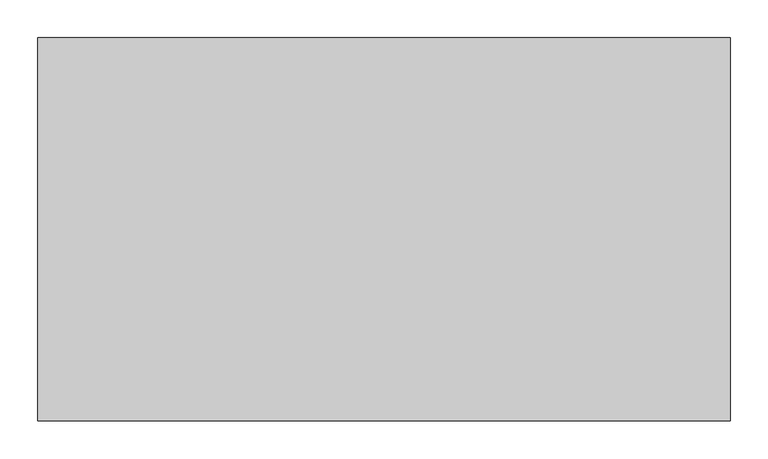
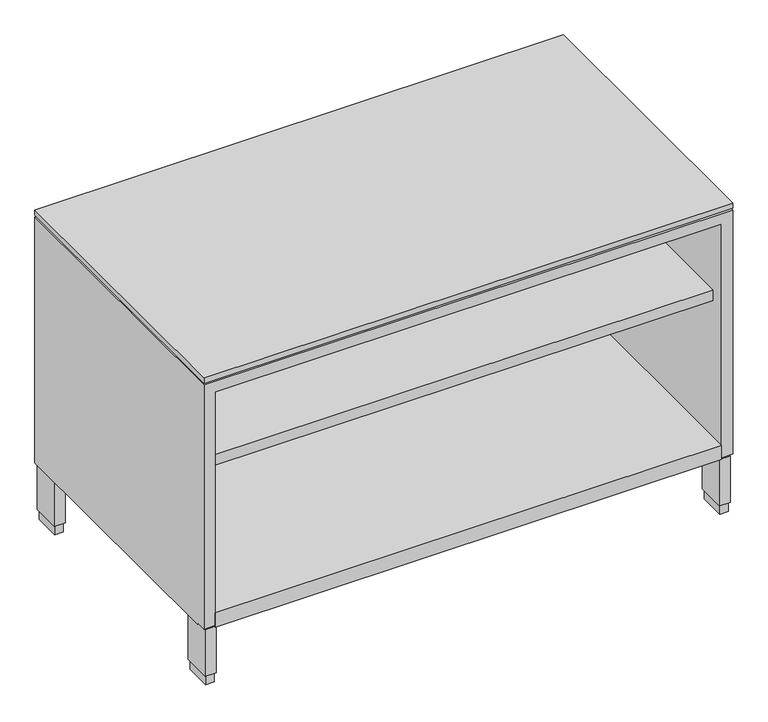
"""IFC4 building model written with IfcOpenShell, lengths in millimetres: furniture geometry."""

import ifcopenshell
import ifcopenshell.guid

model = None  # the IFC model being written
_history = None  # IfcOwnerHistory: only IFC2X3 demands one
_inside = {}  # id of a spatial element -> (the spatial element, [elements in it])
_under = {}  # id of a project, library or spatial element -> (it, [spatial elements below it])
_declared = {}  # id of a project -> (the project, [libraries it declares])
_typed = {}  # id of a type object -> (the type object, [elements of that type])
_made_of = {}  # id of a material, layer set ... -> (it, [elements and type objects made of it])


def new_model(schema):
    """Start an empty IFC model of exactly this schema.

    Asked for "IFC4X3", IfcOpenShell would pick the latest addendum, in which some entities
    have other attributes; the version numbers below select the first issue.
    IFC2X3 requires an IfcOwnerHistory on every rooted entity: one is made here for all.
    """
    global model, _history
    if schema == "IFC4X3":
        model = ifcopenshell.file(schema_version=(4, 3, 0, 0))
    else:
        model = ifcopenshell.file(schema=schema)
    _inside.clear()
    _under.clear()
    _declared.clear()
    _typed.clear()
    _made_of.clear()
    _history = None
    if model.schema == "IFC2X3":
        org = make("IfcOrganization", Name="unknown")
        user = make(
            "IfcPersonAndOrganization",
            ThePerson=make("IfcPerson", FamilyName="unknown"),
            TheOrganization=org,
        )
        app = make(
            "IfcApplication",
            ApplicationDeveloper=org,
            Version="unknown",
            ApplicationFullName="unknown",
            ApplicationIdentifier="unknown",
        )
        _history = make(
            "IfcOwnerHistory",
            OwningUser=user,
            OwningApplication=app,
            ChangeAction="ADDED",
            CreationDate=0,
        )
    return model


def make(cls, **values):
    """One entity of the class cls with the attributes given. An attribute that is None is left unset."""
    return model.create_entity(
        cls, **{name: value for name, value in values.items() if value is not None}
    )


def rooted(cls, **values):
    """An entity with a GlobalId (a new one), such as an element, a storey or a relation."""
    return make(cls, GlobalId=ifcopenshell.guid.new(), OwnerHistory=_history, **values)


def si_unit(unit_type, name, prefix=None):
    """IfcSIUnit, for example si_unit("LENGTHUNIT", "METRE", prefix="MILLI")."""
    return make("IfcSIUnit", UnitType=unit_type, Prefix=prefix, Name=name)


def assignment(units):
    """IfcUnitAssignment: the units of a project."""
    return None if units is None else make("IfcUnitAssignment", Units=units)


def point(xyz):
    """IfcCartesianPoint."""
    return None if xyz is None else make("IfcCartesianPoint", Coordinates=xyz)


def direction(xyz):
    """IfcDirection."""
    return None if xyz is None else make("IfcDirection", DirectionRatios=xyz)


def frame(location, z_axis=None, x_axis=None):
    """IfcAxis2Placement3D, a coordinate frame: its origin and axes. An axis left out is left unset."""
    return make(
        "IfcAxis2Placement3D",
        Location=point(location),
        Axis=direction(z_axis),
        RefDirection=direction(x_axis),
    )


def origin():
    """The frame at (0, 0, 0) with its axes left unset."""
    return frame((0.0, 0.0, 0.0))


def origin_with_axes():
    """The frame at (0, 0, 0) with the z axis (0, 0, 1) and the x axis (1, 0, 0) written out."""
    return frame((0.0, 0.0, 0.0), z_axis=(0.0, 0.0, 1.0), x_axis=(1.0, 0.0, 0.0))


def place(relative_to, where):
    """IfcLocalPlacement: puts the frame where relative to a parent placement (None: the world)."""
    return make(
        "IfcLocalPlacement", PlacementRelTo=relative_to, RelativePlacement=where
    )


def context(
    kind, dimensions, precision=None, world=None, true_north=None, identifier=None
):
    """IfcGeometricRepresentationContext, for example the 3D "Model" context."""
    return make(
        "IfcGeometricRepresentationContext",
        ContextIdentifier=identifier,
        ContextType=kind,
        CoordinateSpaceDimension=dimensions,
        Precision=precision,
        WorldCoordinateSystem=world,
        TrueNorth=true_north,
    )


def project(units=None, contexts=None):
    """IfcProject with its units and contexts."""
    return rooted(
        "IfcProject",
        Name="project",
        RepresentationContexts=contexts,
        UnitsInContext=assignment(units),
    )


def spatial(cls, under=None, at=None, **own):
    """A site, building, storey or space (cls), placed at a placement, below another one or the project."""
    s = rooted(cls, ObjectPlacement=at, **own)
    if under is not None:
        _under.setdefault(under.id(), (under, []))[1].append(s)
    return s


def polyline(points):
    """IfcPolyline through the points."""
    return make("IfcPolyline", Points=[point(p) for p in points])


def outline(outer, holes=None, kind="AREA"):
    """IfcArbitraryClosedProfileDef: a profile drawn as a closed curve; with holes, ...WithVoids."""
    if holes is None:
        return make("IfcArbitraryClosedProfileDef", ProfileType=kind, OuterCurve=outer)
    return make(
        "IfcArbitraryProfileDefWithVoids",
        ProfileType=kind,
        OuterCurve=outer,
        InnerCurves=holes,
    )


def extrude(swept, where, along, depth):
    """IfcExtrudedAreaSolid: the profile swept, set in the frame where, extruded along a direction by depth."""
    return make(
        "IfcExtrudedAreaSolid",
        SweptArea=swept,
        Position=where,
        ExtrudedDirection=direction(along),
        Depth=depth,
    )


def faces_of(points, faces, orient=None, outer=None):
    """IfcFace entities. A face is a list of loops; a loop is a list of indices into points, from 0.

    orient and outer hold one flag for each loop. By default every Orientation is true, the
    first loop of a face is its IfcFaceOuterBound and the others are IfcFaceBound.
    """
    made = []
    for i, loops in enumerate(faces):
        bounds = []
        for j, loop in enumerate(loops):
            is_outer = j == 0 if outer is None else outer[i][j]
            bounds.append(
                make(
                    "IfcFaceOuterBound" if is_outer else "IfcFaceBound",
                    Bound=make("IfcPolyLoop", Polygon=[points[k] for k in loop]),
                    Orientation=True if orient is None else orient[i][j],
                )
            )
        made.append(make("IfcFace", Bounds=bounds))
    return made


def faceted_brep(points, faces, orient=None, outer=None, voids=None):
    """IfcFacetedBrep: a solid bounded by flat faces; with voids (closed shells), ...WithVoids."""
    shared = [point(p) for p in points]
    hull = make("IfcClosedShell", CfsFaces=faces_of(shared, faces, orient, outer))
    if voids is None:
        return make("IfcFacetedBrep", Outer=hull)
    return make(
        "IfcFacetedBrepWithVoids",
        Outer=hull,
        Voids=[
            make(cls, CfsFaces=faces_of(shared, fs, o, b)) for cls, fs, o, b in voids
        ],
    )


def shape(context_of_items, identifier, shape_type, items):
    """IfcShapeRepresentation: the items that make up one representation, for example the "Body"."""
    return make(
        "IfcShapeRepresentation",
        ContextOfItems=context_of_items,
        RepresentationIdentifier=identifier,
        RepresentationType=shape_type,
        Items=items,
    )


def source(mapping_origin, context_of_items, identifier, shape_type, items):
    """IfcRepresentationMap: a shape defined once, which mapped items show again and again."""
    return make(
        "IfcRepresentationMap",
        MappingOrigin=mapping_origin,
        MappedRepresentation=shape(context_of_items, identifier, shape_type, items),
    )


def transform(
    local_origin,
    x_axis=None,
    y_axis=None,
    z_axis=None,
    scale=None,
    scale2=None,
    scale3=None,
    uniform=True,
):
    """IfcCartesianTransformationOperator3D, or its non-uniform kind. x_axis, y_axis, z_axis: its Axis1, 2, 3."""
    if uniform:
        return make(
            "IfcCartesianTransformationOperator3D",
            Axis1=direction(x_axis),
            Axis2=direction(y_axis),
            LocalOrigin=point(local_origin),
            Scale=scale,
            Axis3=direction(z_axis),
        )
    return make(
        "IfcCartesianTransformationOperator3DnonUniform",
        Axis1=direction(x_axis),
        Axis2=direction(y_axis),
        LocalOrigin=point(local_origin),
        Scale=scale,
        Axis3=direction(z_axis),
        Scale2=scale2,
        Scale3=scale3,
    )


def mapped(mapping_source, mapping_target):
    """IfcMappedItem: shows the shape of a source again, moved by a transform."""
    return make(
        "IfcMappedItem", MappingSource=mapping_source, MappingTarget=mapping_target
    )


def made_of(thing, what):
    """Note that an element or type object is made of a material, layer set ...; save() writes the relation."""
    if what is not None:
        _made_of.setdefault(what.id(), (what, []))[1].append(thing)
    return thing


def element(
    cls,
    number,
    at=None,
    inside=None,
    cuts=None,
    type_object=None,
    material=None,
    context=None,
    identifier="Body",
    shape_type=None,
    held_by="IfcProductDefinitionShape",
    body=None,
    shapes=None,
    **own,
):
    """One element of the class cls, such as IfcWall. Its Tag is "e" and its number.

    at: its placement. inside: the storey or other place that contains it. cuts: it is an
    opening in that element (IfcRelVoidsElement). A single representation is given by context,
    identifier, shape_type and body (its items); several are given by shapes. held_by: the class
    of the entity that holds the representations. save() writes the other relations.
    """
    e = rooted(cls, Tag="e%d" % number, ObjectPlacement=at, **own)
    if body is not None:
        shapes = [shape(context, identifier, shape_type, body)]
    if shapes is not None:
        e.Representation = make(held_by, Representations=shapes)
    if inside is not None:
        _inside.setdefault(inside.id(), (inside, []))[1].append(e)
    if cuts is not None:
        rooted(
            "IfcRelVoidsElement", RelatingBuildingElement=cuts, RelatedOpeningElement=e
        )
    if type_object is not None:
        _typed.setdefault(type_object.id(), (type_object, []))[1].append(e)
    return made_of(e, material)


def aggregate(whole, parts):
    """IfcRelAggregates: a whole, such as a stair, and the parts it consists of."""
    return rooted("IfcRelAggregates", RelatingObject=whole, RelatedObjects=parts)


def save(model, path):
    """Write the relations noted so far, then the file.

    IfcRelAggregates (storeys below a building ...), IfcRelContainedInSpatialStructure (elements
    in a storey), IfcRelDefinesByType, IfcRelAssociatesMaterial and IfcRelDeclares: one each for
    every whole, place, type object, material and project.
    """
    for whole, parts in _under.values():
        aggregate(whole, parts)
    for where, things in _inside.values():
        rooted(
            "IfcRelContainedInSpatialStructure",
            RelatedElements=things,
            RelatingStructure=where,
        )
    for kind, things in _typed.values():
        rooted("IfcRelDefinesByType", RelatedObjects=things, RelatingType=kind)
    for what, things in _made_of.values():
        rooted("IfcRelAssociatesMaterial", RelatedObjects=things, RelatingMaterial=what)
    for by, libraries in _declared.values():
        rooted("IfcRelDeclares", RelatingContext=by, RelatedDefinitions=libraries)
    model.write(path)


def furniture_c05d2227(model_context):
    return source(origin(), model_context, "Body", "SolidModel", [
        extrude(outline(polyline([(893.5085, -20.828), (893.5085, -506.349), (20.8915, -506.349), (20.8915, -20.828), (893.5085, -20.828)])), frame((0.0, 0.0, 102.108), z_axis=(0.0, 0.0, 1.0), x_axis=(1.0, 0.0, 0.0)), (0.0, 0.0, 1.0), 25.9199713),
        extrude(outline(polyline([(21.2979, -5.715), (21.2979, -52.197), (6.5659, -52.197), (6.5659, -5.715), (21.2979, -5.715)])), origin_with_axes(), (0.0, 0.0, 1.0), 17.399),
        extrude(outline(polyline([(907.8341, -5.715), (907.8341, -52.197), (893.1021, -52.197), (893.1021, -5.715), (907.8341, -5.715)])), origin_with_axes(), (0.0, 0.0, 1.0), 17.399),
        extrude(outline(polyline([(907.8341, -456.057), (907.8341, -502.539), (893.1021, -502.539), (893.1021, -456.057), (907.8341, -456.057)])), origin_with_axes(), (0.0, 0.0, 1.0), 17.399),
        extrude(outline(polyline([(21.2979, -456.057), (21.2979, -502.539), (6.5659, -502.539), (6.5659, -456.057), (21.2979, -456.057)])), origin_with_axes(), (0.0, 0.0, 1.0), 17.399),
        extrude(outline(polyline([(23.4569, -3.556), (23.4569, -54.356), (4.4069, -54.356), (4.4069, -3.556), (23.4569, -3.556)])), frame((0.0, 0.0, 17.399), z_axis=(0.0, 0.0, 1.0), x_axis=(1.0, 0.0, 0.0)), (0.0, 0.0, 1.0), 84.709),
        extrude(outline(polyline([(909.9931, -3.556), (909.9931, -54.356), (890.9431, -54.356), (890.9431, -3.556), (909.9931, -3.556)])), frame((0.0, 0.0, 17.399), z_axis=(0.0, 0.0, 1.0), x_axis=(1.0, 0.0, 0.0)), (0.0, 0.0, 1.0), 84.709),
        extrude(outline(polyline([(909.9931, -453.898), (909.9931, -504.698), (890.9431, -504.698), (890.9431, -453.898), (909.9931, -453.898)])), frame((0.0, 0.0, 17.399), z_axis=(0.0, 0.0, 1.0), x_axis=(1.0, 0.0, 0.0)), (0.0, 0.0, 1.0), 84.709),
        extrude(outline(polyline([(23.4569, -453.898), (23.4569, -504.698), (4.4069, -504.698), (4.4069, -453.898), (23.4569, -453.898)])), frame((0.0, 0.0, 17.399), z_axis=(0.0, 0.0, 1.0), x_axis=(1.0, 0.0, 0.0)), (0.0, 0.0, 1.0), 84.709),
        extrude(outline(polyline([(912.8125, -506.349), (1.5875, -506.349), (1.5875, -1.524), (912.8125, -1.524), (912.8125, -506.349)])), frame((0.0, 0.0, 553.212), z_axis=(0.0, 0.0, 1.0), x_axis=(1.0, 0.0, 0.0)), (0.0, 0.0, 1.0), 9.779),
        extrude(outline(polyline([(893.5085, -480.695), (20.8915, -480.695), (20.8915, -20.828), (893.5085, -20.828), (893.5085, -480.695)])), frame((0.0, 0.0, 376.3772), z_axis=(0.0, 0.0, 1.0), x_axis=(1.0, 0.0, 0.0)), (0.0, 0.0, 1.0), 19.304),
        faceted_brep([(912.8125, -506.349, 550.037), (1.5875, -506.349, 550.037), (1.5875, -506.349, 105.283), (20.8915, -506.349, 105.283), (20.8915, -506.349, 530.733), (893.5085, -506.349, 530.733), (893.5085, -506.349, 105.283), (912.8125, -506.349, 105.283), (912.8125, -1.524, 550.037), (912.8125, -1.524, 102.108), (1.5875, -1.524, 102.108), (1.5875, -1.524, 550.037), (1.5875, -487.045, 102.108), (1.5875, -487.045, 105.283), (912.8125, -487.045, 105.283), (912.8125, -487.045, 102.108), (893.5085, -20.828, 530.733), (20.8915, -20.828, 530.733), (20.8915, -20.828, 102.108), (893.5085, -20.828, 102.108), (20.8915, -487.045, 105.283), (20.8915, -487.045, 102.108), (893.5085, -487.045, 102.108), (893.5085, -487.045, 105.283)], [[[0, 1, 2, 3, 4, 5, 6, 7]], [[8, 9, 10, 11]], [[1, 0, 8, 11]], [[11, 10, 12, 13, 2, 1]], [[9, 8, 0, 7, 14, 15]], [[16, 17, 18, 19]], [[17, 16, 5, 4]], [[18, 17, 4, 3, 20, 21]], [[16, 19, 22, 23, 6, 5]], [[10, 9, 15, 22, 19, 18, 21, 12]], [[20, 13, 12, 21]], [[14, 23, 22, 15]], [[13, 20, 3, 2]], [[23, 14, 7, 6]]]),
    ])


if __name__ == "__main__":
    model = new_model("IFC4")
    model_context = context("Model", 3, world=origin())
    ifc_project = project(units=[si_unit("LENGTHUNIT", "METRE", prefix="MILLI")], contexts=[model_context])
    site = spatial("IfcSite", under=ifc_project)
    building = spatial("IfcBuilding", under=site)
    placement = place(None, origin())
    furniture_shape = furniture_c05d2227(model_context)
    element("IfcFurniture", 1, at=placement, inside=building, context=model_context, shape_type="MappedRepresentation", body=[
        mapped(furniture_shape, transform((0.0, 0.0, 0.0), x_axis=(1.0, 0.0, 0.0), y_axis=(0.0, 1.0, 0.0), z_axis=(0.0, 0.0, 1.0))),
    ])
    save(model, "model.ifc")
